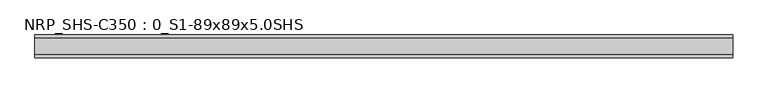
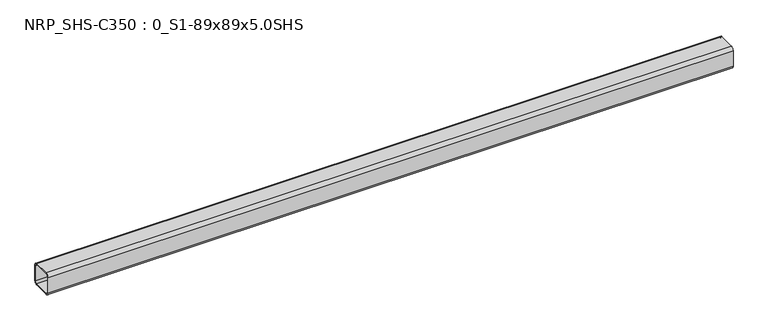
"""IFC4 building model written with IfcOpenShell, lengths in millimetres: beam geometry, NRP_SHS-C350 : 0_S1-89x89x5.0SHS."""

from ifc_helpers import new_model, si_unit, point, frame, frame_2d, origin, place, context, project, spatial, polyline, circle_curve, trimmed, segment, composite_curve, outline, extrude, source, transform, mapped, element, save


def nrp_shs_c350_0_s1_89x89x5_0shs_236c990d(model_context):
    return source(origin(), model_context, "Body", "SweptSolid", [
        extrude(outline(composite_curve([segment(trimmed(circle_curve(frame_2d((-32.0, 32.0)), 12.5), [point((-44.5, 32.0))], [point((-32.0, 44.5))], False, "CARTESIAN"), True, "CONTINUOUS"), segment(polyline([(-32.0, 44.5), (32.0, 44.5)]), True, "CONTINUOUS"), segment(trimmed(circle_curve(frame_2d((32.0, 32.0)), 12.5), [point((32.0, 44.5))], [point((44.5, 32.0))], False, "CARTESIAN"), True, "CONTINUOUS"), segment(polyline([(44.5, 32.0), (44.5, -32.0)]), True, "CONTINUOUS"), segment(trimmed(circle_curve(frame_2d((32.0, -32.0)), 12.5), [point((44.5, -32.0))], [point((32.0, -44.5))], False, "CARTESIAN"), True, "CONTINUOUS"), segment(polyline([(32.0, -44.5), (-32.0, -44.5)]), True, "CONTINUOUS"), segment(trimmed(circle_curve(frame_2d((-32.0, -32.0)), 12.5), [point((-32.0, -44.5))], [point((-44.5, -32.0))], False, "CARTESIAN"), True, "CONTINUOUS"), segment(polyline([(-44.5, -32.0), (-44.5, 32.0)]), True, "CONTINUOUS")], self_intersect=False), holes=[composite_curve([segment(polyline([(32.0, 39.5), (-32.0, 39.5)]), True, "CONTINUOUS"), segment(trimmed(circle_curve(frame_2d((-32.0, 32.0)), 7.5), [point((-32.0, 39.5))], [point((-39.5, 32.0))], True, "CARTESIAN"), True, "CONTINUOUS"), segment(polyline([(-39.5, 32.0), (-39.5, -32.0)]), True, "CONTINUOUS"), segment(trimmed(circle_curve(frame_2d((-32.0, -32.0)), 7.5), [point((-39.5, -32.0))], [point((-32.0, -39.5))], True, "CARTESIAN"), True, "CONTINUOUS"), segment(polyline([(-32.0, -39.5), (32.0, -39.5)]), True, "CONTINUOUS"), segment(trimmed(circle_curve(frame_2d((32.0, -32.0)), 7.5), [point((32.0, -39.5))], [point((39.5, -32.0))], True, "CARTESIAN"), True, "CONTINUOUS"), segment(polyline([(39.5, -32.0), (39.5, 32.0)]), True, "CONTINUOUS"), segment(trimmed(circle_curve(frame_2d((32.0, 32.0)), 7.5), [point((39.5, 32.0))], [point((32.0, 39.5))], True, "CARTESIAN"), True, "CONTINUOUS")], self_intersect=False)]), frame((-1319.0, 0.0, 0.0), z_axis=(1.0, 0.0, 0.0), x_axis=(0.0, 1.0, 0.0)), (0.0, 0.0, 1.0), 2707.0),
    ])


if __name__ == "__main__":
    model = new_model("IFC4")
    model_context = context("Model", 3, world=origin())
    ifc_project = project(units=[si_unit("LENGTHUNIT", "METRE", prefix="MILLI")], contexts=[model_context])
    site = spatial("IfcSite", under=ifc_project)
    building = spatial("IfcBuilding", under=site)
    placement = place(None, origin())
    nrp_shs_c350_0_s1_89x89x5_0shs_shape = nrp_shs_c350_0_s1_89x89x5_0shs_236c990d(model_context)
    element("IfcBeam", 1, ObjectType="NRP_SHS-C350 : 0_S1-89x89x5.0SHS", at=placement, inside=building, context=model_context, shape_type="MappedRepresentation", body=[
        mapped(nrp_shs_c350_0_s1_89x89x5_0shs_shape, transform((0.0, 0.0, 0.0), x_axis=(1.0, 0.0, 0.0), y_axis=(0.0, 1.0, 0.0), z_axis=(0.0, 0.0, 1.0))),
    ])
    save(model, "model.ifc")
